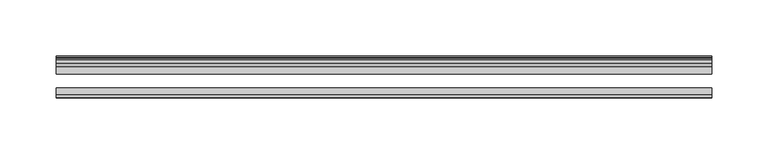
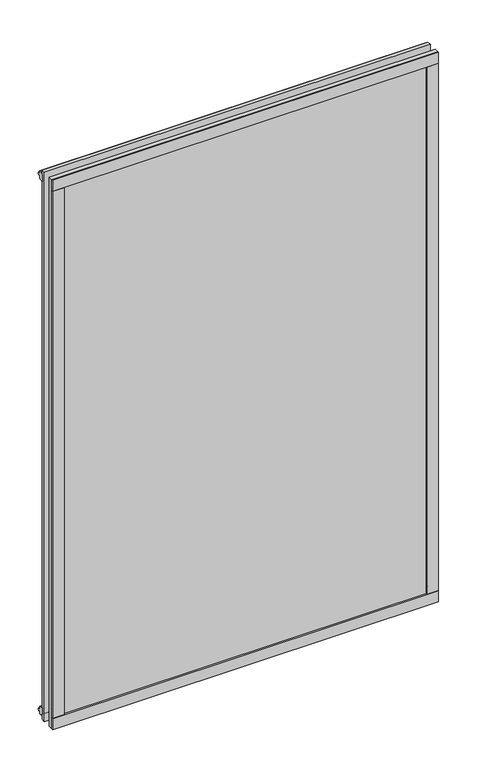
"""IFC4 building model written with IfcOpenShell, lengths in millimetres: plate geometry."""

from ifc_helpers import new_model, si_unit, frame, origin, origin_with_axes, place, context, project, spatial, polyline, outline, extrude, source, transform, mapped, element, save


def plate_3ace4476(model_context):
    return source(origin(), model_context, "Body", "SweptSolid", [
        extrude(outline(polyline([(290.5125, -44.4293643), (290.5125, -46.7153636), (-290.5125, -46.7153636), (-290.5125, -44.4293643), (290.5125, -44.4293643)])), frame((0.0, 0.0, 838.1872994), z_axis=(0.0, 0.0, 1.0), x_axis=(1.0, 0.0, 0.0)), (0.0, 0.0, 1.0), 17.4752),
        extrude(outline(polyline([(290.5125, -44.4293643), (290.5125, -46.7153636), (-290.5125, -46.7153636), (-290.5125, -44.4293643), (290.5125, -44.4293643)])), frame((0.0, 0.0, -17.4625), z_axis=(0.0, 0.0, 1.0), x_axis=(1.0, 0.0, 0.0)), (0.0, 0.0, 1.0), 17.4752),
        extrude(outline(polyline([(-16.311566, -12.4459992), (-19.5373643, -9.7597211), (-19.5373643, 1.1616223), (-13.365166, -0.5079992), (-13.365166, -5.7149992), (-10.9849691, -6.0959992), (-11.4449023, -4.6804701), (-10.6436881, -4.6804701), (-9.936166, -6.8579992), (-10.6436881, -9.0355282), (-11.4449023, -9.0355282), (-10.9849691, -7.6199992), (-13.365166, -8.0009992), (-13.365166, -12.4459992), (-16.311566, -12.4459992)])), frame((-290.5125, 0.0, 0.0), z_axis=(1.0, 0.0, 0.0), x_axis=(0.0, 1.0, 0.0)), (0.0, 0.0, 1.0), 581.025),
        extrude(outline(polyline([(-16.311566, 850.6459986), (-13.365166, 850.6459986), (-13.365166, 846.2009986), (-10.9849691, 845.8199986), (-11.4449023, 847.2355276), (-10.6436881, 847.2355276), (-9.936166, 845.0579986), (-10.6436881, 842.8804695), (-11.4449023, 842.8804695), (-10.9849691, 844.2959986), (-13.365166, 843.9149986), (-13.365166, 838.7079986), (-19.5373643, 837.0383771), (-19.5373643, 847.9597205), (-16.311566, 850.6459986)])), frame((-290.5125, 0.0, 0.0), z_axis=(1.0, 0.0, 0.0), x_axis=(0.0, 1.0, 0.0)), (0.0, 0.0, 1.0), 581.025),
        extrude(outline(polyline([(-271.8883777, -19.5373643), (-282.8097211, -19.5373643), (-285.4959992, -16.311566), (-285.4959992, -13.365166), (-281.0509992, -13.365166), (-280.6699992, -10.9849691), (-282.0855282, -11.4449023), (-282.0855282, -10.6436881), (-279.9079992, -9.936166), (-277.7304701, -10.6436881), (-277.7304701, -11.4449023), (-279.1459992, -10.9849691), (-278.7649992, -13.365166), (-273.5579992, -13.365166), (-271.8883777, -19.5373643)])), origin_with_axes(), (0.0, 0.0, 1.0), 838.1999994),
        extrude(outline(polyline([(-273.0373, -44.4293643), (-273.0373, -46.7153636), (-290.5125, -46.7153636), (-290.5125, -44.4293643), (-273.0373, -44.4293643)])), origin_with_axes(), (0.0, 0.0, 1.0), 838.1999994),
        extrude(outline(polyline([(271.9010779, -19.5373643), (273.5706994, -13.365166), (278.7776994, -13.365166), (279.1586994, -10.9849691), (277.7431703, -11.4449023), (277.7431703, -10.6436881), (279.9206994, -9.936166), (282.0982284, -10.6436881), (282.0982284, -11.4449023), (280.6826994, -10.9849691), (281.0636994, -13.365166), (285.5086994, -13.365166), (285.5086994, -16.311566), (282.8224213, -19.5373643), (271.9010779, -19.5373643)])), origin_with_axes(), (0.0, 0.0, 1.0), 838.1999994),
        extrude(outline(polyline([(290.5252002, -46.7153636), (273.0499998, -46.7153636), (273.0499998, -44.4293643), (290.5252002, -44.4293643), (290.5252002, -46.7153636)])), origin_with_axes(), (0.0, 0.0, 1.0), 838.1999994),
        extrude(outline(polyline([(290.5125, -19.5373643), (290.5125, -25.8250158), (-290.5125, -25.8250158), (-290.5125, -19.5373643), (290.5125, -19.5373643)])), frame((0.0, 0.0, -17.4497998), z_axis=(0.0, 0.0, 1.0), x_axis=(1.0, 0.0, 0.0)), (0.0, 0.0, 1.0), 873.1122992),
        extrude(outline(polyline([(-290.5125, -44.4293643), (-290.5125, -38.1186142), (290.5125, -38.1186142), (290.5125, -44.4293643), (-290.5125, -44.4293643)])), frame((0.0, 0.0, -17.4497998), z_axis=(0.0, 0.0, 1.0), x_axis=(1.0, 0.0, 0.0)), (0.0, 0.0, 1.0), 873.1122992),
    ])


if __name__ == "__main__":
    model = new_model("IFC4")
    model_context = context("Model", 3, world=origin())
    ifc_project = project(units=[si_unit("LENGTHUNIT", "METRE", prefix="MILLI")], contexts=[model_context])
    site = spatial("IfcSite", under=ifc_project)
    building = spatial("IfcBuilding", under=site)
    placement = place(None, origin())
    plate_shape = plate_3ace4476(model_context)
    element("IfcPlate", 1, at=placement, inside=building, context=model_context, shape_type="MappedRepresentation", body=[
        mapped(plate_shape, transform((0.0, 0.0, 0.0), x_axis=(1.0, 0.0, 0.0), y_axis=(0.0, 1.0, 0.0), z_axis=(0.0, 0.0, 1.0))),
    ])
    save(model, "model.ifc")
